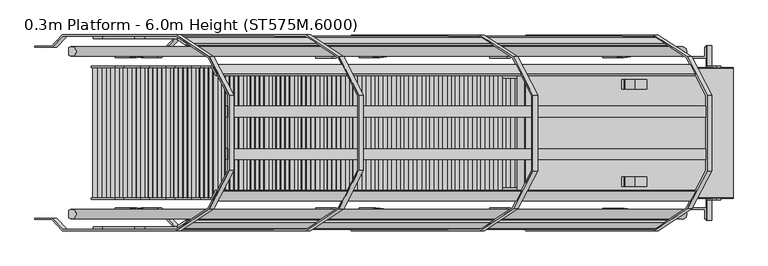
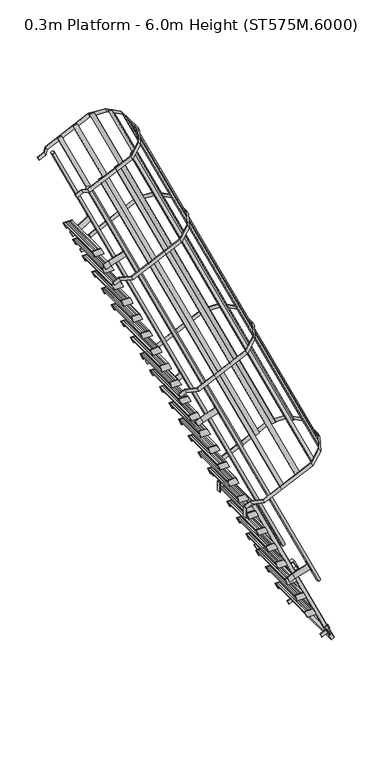
"""IFC4 building model written with IfcOpenShell, lengths in millimetres: proxy geometry, 0.3m Platform - 6.0m Height (ST575M.6000)."""

from ifc_helpers import new_model, si_unit, point, frame, frame_2d, origin, place, context, project, spatial, polyline, circle_curve, trimmed, segment, composite_curve, outline, extrude, source, transform, mapped, element, save


def proxy_0_3m_platform_6_0m_height_st575m_6000_97c4787c(model_context):
    return source(origin(), model_context, "Body", "SweptSolid", [
        extrude(outline(polyline([(5750.0, 12.5735181), (5670.0, 49.8781257), (5670.0, 160.2159228), (5750.0, 122.9113101), (5750.0, 12.5735181)])), frame((0.0, 298.5, 0.0), z_axis=(0.0, 1.0, 0.0), x_axis=(0.0, 0.0, 1.0)), (0.0, 0.0, 1.0), 6.0),
        extrude(outline(polyline([(5750.0, 12.5735181), (5670.0, 49.8781257), (5670.0, 160.2159228), (5750.0, 122.9113101), (5750.0, 12.5735181)])), frame((0.0, -304.5, 0.0), z_axis=(0.0, 1.0, 0.0), x_axis=(0.0, 0.0, 1.0)), (0.0, 0.0, 1.0), 6.0),
        extrude(outline(polyline([(5750.0, 19.7454744), (5712.0999991, 37.4185326), (5712.0999991, 39.6252884), (5747.0, 23.351153), (5747.0, 122.1034773), (5712.0999991, 138.3776149), (5712.0999991, 140.5843708), (5750.0, 122.9113101), (5750.0, 102.483569), (5749.2749538, 102.1454744), (5750.0, 101.8073798), (5750.0, 81.883569), (5749.2749538, 81.5454744), (5750.0, 81.2073798), (5750.0, 61.283569), (5749.2749538, 60.9454744), (5750.0, 60.6073798), (5750.0, 40.683569), (5749.2749538, 40.3454744), (5750.0, 40.0073798), (5750.0, 19.7454744)])), frame((0.0, -298.5, 0.0), z_axis=(0.0, 1.0, 0.0), x_axis=(0.0, 0.0, 1.0)), (0.0, 0.0, 1.0), 597.0),
        extrude(outline(polyline([(5500.0, 129.1518244), (5420.0, 166.456432), (5420.0, 276.7942291), (5500.0, 239.4896164), (5500.0, 129.1518244)])), frame((0.0, 298.5, 0.0), z_axis=(0.0, 1.0, 0.0), x_axis=(0.0, 0.0, 1.0)), (0.0, 0.0, 1.0), 6.0),
        extrude(outline(polyline([(5500.0, 129.1518244), (5420.0, 166.456432), (5420.0, 276.7942291), (5500.0, 239.4896164), (5500.0, 129.1518244)])), frame((0.0, -304.5, 0.0), z_axis=(0.0, 1.0, 0.0), x_axis=(0.0, 0.0, 1.0)), (0.0, 0.0, 1.0), 6.0),
        extrude(outline(polyline([(5500.0, 136.3237807), (5462.0999991, 153.9968389), (5462.0999991, 156.2035947), (5497.0, 139.9294593), (5497.0, 238.6817835), (5462.0999991, 254.9559212), (5462.0999991, 257.1626771), (5500.0, 239.4896164), (5500.0, 219.0618753), (5499.2749538, 218.7237807), (5500.0, 218.3856861), (5500.0, 198.4618753), (5499.2749538, 198.1237807), (5500.0, 197.7856861), (5500.0, 177.8618753), (5499.2749538, 177.5237807), (5500.0, 177.1856861), (5500.0, 157.2618753), (5499.2749538, 156.9237807), (5500.0, 156.5856861), (5500.0, 136.3237807)])), frame((0.0, -298.5, 0.0), z_axis=(0.0, 1.0, 0.0), x_axis=(0.0, 0.0, 1.0)), (0.0, 0.0, 1.0), 597.0),
        extrude(outline(polyline([(5250.0, 245.7301307), (5170.0, 283.0347383), (5170.0, 393.3725354), (5250.0, 356.0679227), (5250.0, 245.7301307)])), frame((0.0, 298.5, 0.0), z_axis=(0.0, 1.0, 0.0), x_axis=(0.0, 0.0, 1.0)), (0.0, 0.0, 1.0), 6.0),
        extrude(outline(polyline([(5250.0, 245.7301307), (5170.0, 283.0347383), (5170.0, 393.3725354), (5250.0, 356.0679227), (5250.0, 245.7301307)])), frame((0.0, -304.5, 0.0), z_axis=(0.0, 1.0, 0.0), x_axis=(0.0, 0.0, 1.0)), (0.0, 0.0, 1.0), 6.0),
        extrude(outline(polyline([(5250.0, 252.902087), (5212.0999991, 270.5751452), (5212.0999991, 272.781901), (5247.0, 256.5077655), (5247.0, 355.2600898), (5212.0999991, 371.5342275), (5212.0999991, 373.7409833), (5250.0, 356.0679227), (5250.0, 335.6401815), (5249.2749538, 335.302087), (5250.0, 334.9639924), (5250.0, 315.0401815), (5249.2749538, 314.702087), (5250.0, 314.3639924), (5250.0, 294.4401815), (5249.2749538, 294.102087), (5250.0, 293.7639924), (5250.0, 273.8401815), (5249.2749538, 273.502087), (5250.0, 273.1639924), (5250.0, 252.902087)])), frame((0.0, -298.5, 0.0), z_axis=(0.0, 1.0, 0.0), x_axis=(0.0, 0.0, 1.0)), (0.0, 0.0, 1.0), 597.0),
        extrude(outline(polyline([(5000.0, 362.308437), (4920.0, 399.6130446), (4920.0, 509.9508416), (5000.0, 472.646229), (5000.0, 362.308437)])), frame((0.0, 298.5, 0.0), z_axis=(0.0, 1.0, 0.0), x_axis=(0.0, 0.0, 1.0)), (0.0, 0.0, 1.0), 6.0),
        extrude(outline(polyline([(5000.0, 362.308437), (4920.0, 399.6130446), (4920.0, 509.9508416), (5000.0, 472.646229), (5000.0, 362.308437)])), frame((0.0, -304.5, 0.0), z_axis=(0.0, 1.0, 0.0), x_axis=(0.0, 0.0, 1.0)), (0.0, 0.0, 1.0), 6.0),
        extrude(outline(polyline([(5000.0, 369.4803933), (4962.0999991, 387.1534515), (4962.0999991, 389.3602073), (4997.0, 373.0860718), (4997.0, 471.8383961), (4962.0999991, 488.1125338), (4962.0999991, 490.3192896), (5000.0, 472.646229), (5000.0, 452.2184878), (4999.2749538, 451.8803933), (5000.0, 451.5422987), (5000.0, 431.6184878), (4999.2749538, 431.2803933), (5000.0, 430.9422987), (5000.0, 411.0184878), (4999.2749538, 410.6803933), (5000.0, 410.3422987), (5000.0, 390.4184878), (4999.2749538, 390.0803933), (5000.0, 389.7422987), (5000.0, 369.4803933)])), frame((0.0, -298.5, 0.0), z_axis=(0.0, 1.0, 0.0), x_axis=(0.0, 0.0, 1.0)), (0.0, 0.0, 1.0), 597.0),
        extrude(outline(polyline([(4750.0, 478.8867433), (4670.0, 516.1913509), (4670.0, 626.5291479), (4750.0, 589.2245353), (4750.0, 478.8867433)])), frame((0.0, 298.5, 0.0), z_axis=(0.0, 1.0, 0.0), x_axis=(0.0, 0.0, 1.0)), (0.0, 0.0, 1.0), 6.0),
        extrude(outline(polyline([(4750.0, 478.8867433), (4670.0, 516.1913509), (4670.0, 626.5291479), (4750.0, 589.2245353), (4750.0, 478.8867433)])), frame((0.0, -304.5, 0.0), z_axis=(0.0, 1.0, 0.0), x_axis=(0.0, 0.0, 1.0)), (0.0, 0.0, 1.0), 6.0),
        extrude(outline(polyline([(4750.0, 486.0586996), (4712.0999991, 503.7317578), (4712.0999991, 505.9385136), (4747.0, 489.6643781), (4747.0, 588.4167024), (4712.0999991, 604.6908401), (4712.0999991, 606.8975959), (4750.0, 589.2245353), (4750.0, 568.7967941), (4749.2749538, 568.4586996), (4750.0, 568.120605), (4750.0, 548.1967941), (4749.2749538, 547.8586996), (4750.0, 547.520605), (4750.0, 527.5967941), (4749.2749538, 527.2586996), (4750.0, 526.920605), (4750.0, 506.9967941), (4749.2749538, 506.6586996), (4750.0, 506.320605), (4750.0, 486.0586996)])), frame((0.0, -298.5, 0.0), z_axis=(0.0, 1.0, 0.0), x_axis=(0.0, 0.0, 1.0)), (0.0, 0.0, 1.0), 597.0),
        extrude(outline(polyline([(4500.0, 595.4650495), (4420.0, 632.7696571), (4420.0, 743.1074542), (4500.0, 705.8028416), (4500.0, 595.4650495)])), frame((0.0, 298.5, 0.0), z_axis=(0.0, 1.0, 0.0), x_axis=(0.0, 0.0, 1.0)), (0.0, 0.0, 1.0), 6.0),
        extrude(outline(polyline([(4500.0, 595.4650495), (4420.0, 632.7696571), (4420.0, 743.1074542), (4500.0, 705.8028416), (4500.0, 595.4650495)])), frame((0.0, -304.5, 0.0), z_axis=(0.0, 1.0, 0.0), x_axis=(0.0, 0.0, 1.0)), (0.0, 0.0, 1.0), 6.0),
        extrude(outline(polyline([(4500.0, 602.6370058), (4462.0999991, 620.3100641), (4462.0999991, 622.5168199), (4497.0, 606.2426844), (4497.0, 704.9950087), (4462.0999991, 721.2691464), (4462.0999991, 723.4759022), (4500.0, 705.8028416), (4500.0, 685.3751004), (4499.2749538, 685.0370058), (4500.0, 684.6989113), (4500.0, 664.7751004), (4499.2749538, 664.4370058), (4500.0, 664.0989113), (4500.0, 644.1751004), (4499.2749538, 643.8370058), (4500.0, 643.4989113), (4500.0, 623.5751004), (4499.2749538, 623.2370058), (4500.0, 622.8989113), (4500.0, 602.6370058)])), frame((0.0, -298.5, 0.0), z_axis=(0.0, 1.0, 0.0), x_axis=(0.0, 0.0, 1.0)), (0.0, 0.0, 1.0), 597.0),
        extrude(outline(polyline([(4250.0, 712.0433558), (4170.0, 749.3479634), (4170.0, 859.6857605), (4250.0, 822.3811479), (4250.0, 712.0433558)])), frame((0.0, 298.5, 0.0), z_axis=(0.0, 1.0, 0.0), x_axis=(0.0, 0.0, 1.0)), (0.0, 0.0, 1.0), 6.0),
        extrude(outline(polyline([(4250.0, 712.0433558), (4170.0, 749.3479634), (4170.0, 859.6857605), (4250.0, 822.3811479), (4250.0, 712.0433558)])), frame((0.0, -304.5, 0.0), z_axis=(0.0, 1.0, 0.0), x_axis=(0.0, 0.0, 1.0)), (0.0, 0.0, 1.0), 6.0),
        extrude(outline(polyline([(4250.0, 719.2153121), (4212.0999991, 736.8883704), (4212.0999991, 739.0951262), (4247.0, 722.8209907), (4247.0, 821.573315), (4212.0999991, 837.8474527), (4212.0999991, 840.0542085), (4250.0, 822.3811479), (4250.0, 801.9534067), (4249.2749538, 801.6153121), (4250.0, 801.2772176), (4250.0, 781.3534067), (4249.2749538, 781.0153121), (4250.0, 780.6772176), (4250.0, 760.7534067), (4249.2749538, 760.4153121), (4250.0, 760.0772176), (4250.0, 740.1534067), (4249.2749538, 739.8153121), (4250.0, 739.4772176), (4250.0, 719.2153121)])), frame((0.0, -298.5, 0.0), z_axis=(0.0, 1.0, 0.0), x_axis=(0.0, 0.0, 1.0)), (0.0, 0.0, 1.0), 597.0),
        extrude(outline(polyline([(4000.0, 828.6216621), (3920.0, 865.9262697), (3920.0, 976.2640668), (4000.0, 938.9594541), (4000.0, 828.6216621)])), frame((0.0, 298.5, 0.0), z_axis=(0.0, 1.0, 0.0), x_axis=(0.0, 0.0, 1.0)), (0.0, 0.0, 1.0), 6.0),
        extrude(outline(polyline([(4000.0, 828.6216621), (3920.0, 865.9262697), (3920.0, 976.2640668), (4000.0, 938.9594541), (4000.0, 828.6216621)])), frame((0.0, -304.5, 0.0), z_axis=(0.0, 1.0, 0.0), x_axis=(0.0, 0.0, 1.0)), (0.0, 0.0, 1.0), 6.0),
        extrude(outline(polyline([(4000.0, 835.7936184), (3962.0999991, 853.4666767), (3962.0999991, 855.6734324), (3997.0, 839.399297), (3997.0, 938.1516213), (3962.0999991, 954.4257589), (3962.0999991, 956.6325148), (4000.0, 938.9594541), (4000.0, 918.531713), (3999.2749538, 918.1936184), (4000.0, 917.8555238), (4000.0, 897.931713), (3999.2749538, 897.5936184), (4000.0, 897.2555238), (4000.0, 877.331713), (3999.2749538, 876.9936184), (4000.0, 876.6555238), (4000.0, 856.731713), (3999.2749538, 856.3936184), (4000.0, 856.0555238), (4000.0, 835.7936184)])), frame((0.0, -298.5, 0.0), z_axis=(0.0, 1.0, 0.0), x_axis=(0.0, 0.0, 1.0)), (0.0, 0.0, 1.0), 597.0),
        extrude(outline(polyline([(3750.0, 945.1999684), (3670.0, 982.504576), (3670.0, 1092.8423731), (3750.0, 1055.5377604), (3750.0, 945.1999684)])), frame((0.0, 298.5, 0.0), z_axis=(0.0, 1.0, 0.0), x_axis=(0.0, 0.0, 1.0)), (0.0, 0.0, 1.0), 6.0),
        extrude(outline(polyline([(3750.0, 945.1999684), (3670.0, 982.504576), (3670.0, 1092.8423731), (3750.0, 1055.5377604), (3750.0, 945.1999684)])), frame((0.0, -304.5, 0.0), z_axis=(0.0, 1.0, 0.0), x_axis=(0.0, 0.0, 1.0)), (0.0, 0.0, 1.0), 6.0),
        extrude(outline(polyline([(3750.0, 952.3719247), (3712.0999991, 970.044983), (3712.0999991, 972.2517387), (3747.0, 955.9776033), (3747.0, 1054.7299276), (3712.0999991, 1071.0040652), (3712.0999991, 1073.2108211), (3750.0, 1055.5377604), (3750.0, 1035.1100193), (3749.2749538, 1034.7719247), (3750.0, 1034.4338301), (3750.0, 1014.5100193), (3749.2749538, 1014.1719247), (3750.0, 1013.8338301), (3750.0, 993.9100193), (3749.2749538, 993.5719247), (3750.0, 993.2338301), (3750.0, 973.3100193), (3749.2749538, 972.9719247), (3750.0, 972.6338301), (3750.0, 952.3719247)])), frame((0.0, -298.5, 0.0), z_axis=(0.0, 1.0, 0.0), x_axis=(0.0, 0.0, 1.0)), (0.0, 0.0, 1.0), 597.0),
        extrude(outline(polyline([(3500.0, 1061.7782747), (3420.0, 1099.0828823), (3420.0, 1209.4206794), (3500.0, 1172.1160667), (3500.0, 1061.7782747)])), frame((0.0, 298.5, 0.0), z_axis=(0.0, 1.0, 0.0), x_axis=(0.0, 0.0, 1.0)), (0.0, 0.0, 1.0), 6.0),
        extrude(outline(polyline([(3500.0, 1061.7782747), (3420.0, 1099.0828823), (3420.0, 1209.4206794), (3500.0, 1172.1160667), (3500.0, 1061.7782747)])), frame((0.0, -304.5, 0.0), z_axis=(0.0, 1.0, 0.0), x_axis=(0.0, 0.0, 1.0)), (0.0, 0.0, 1.0), 6.0),
        extrude(outline(polyline([(3500.0, 1068.950231), (3462.0999991, 1086.6232892), (3462.0999991, 1088.830045), (3497.0, 1072.5559096), (3497.0, 1171.3082339), (3462.0999991, 1187.5823715), (3462.0999991, 1189.7891274), (3500.0, 1172.1160667), (3500.0, 1151.6883256), (3499.2749538, 1151.350231), (3500.0, 1151.0121364), (3500.0, 1131.0883256), (3499.2749538, 1130.750231), (3500.0, 1130.4121364), (3500.0, 1110.4883256), (3499.2749538, 1110.150231), (3500.0, 1109.8121364), (3500.0, 1089.8883256), (3499.2749538, 1089.550231), (3500.0, 1089.2121364), (3500.0, 1068.950231)])), frame((0.0, -298.5, 0.0), z_axis=(0.0, 1.0, 0.0), x_axis=(0.0, 0.0, 1.0)), (0.0, 0.0, 1.0), 597.0),
        extrude(outline(polyline([(3250.0, 1178.356581), (3170.0, 1215.6611886), (3170.0, 1325.9989857), (3250.0, 1288.694373), (3250.0, 1178.356581)])), frame((0.0, 298.5, 0.0), z_axis=(0.0, 1.0, 0.0), x_axis=(0.0, 0.0, 1.0)), (0.0, 0.0, 1.0), 6.0),
        extrude(outline(polyline([(3250.0, 1178.356581), (3170.0, 1215.6611886), (3170.0, 1325.9989857), (3250.0, 1288.694373), (3250.0, 1178.356581)])), frame((0.0, -304.5, 0.0), z_axis=(0.0, 1.0, 0.0), x_axis=(0.0, 0.0, 1.0)), (0.0, 0.0, 1.0), 6.0),
        extrude(outline(polyline([(3250.0, 1185.5285373), (3212.0999991, 1203.2015955), (3212.0999991, 1205.4083513), (3247.0, 1189.1342158), (3247.0, 1287.8865401), (3212.0999991, 1304.1606778), (3212.0999991, 1306.3674336), (3250.0, 1288.694373), (3250.0, 1268.2666319), (3249.2749538, 1267.9285373), (3250.0, 1267.5904427), (3250.0, 1247.6666319), (3249.2749538, 1247.3285373), (3250.0, 1246.9904427), (3250.0, 1227.0666319), (3249.2749538, 1226.7285373), (3250.0, 1226.3904427), (3250.0, 1206.4666319), (3249.2749538, 1206.1285373), (3250.0, 1205.7904427), (3250.0, 1185.5285373)])), frame((0.0, -298.5, 0.0), z_axis=(0.0, 1.0, 0.0), x_axis=(0.0, 0.0, 1.0)), (0.0, 0.0, 1.0), 597.0),
        extrude(outline(polyline([(3000.0, 1294.9348873), (2920.0, 1332.2394949), (2920.0, 1442.5772919), (3000.0, 1405.2726793), (3000.0, 1294.9348873)])), frame((0.0, 298.5, 0.0), z_axis=(0.0, 1.0, 0.0), x_axis=(0.0, 0.0, 1.0)), (0.0, 0.0, 1.0), 6.0),
        extrude(outline(polyline([(3000.0, 1294.9348873), (2920.0, 1332.2394949), (2920.0, 1442.5772919), (3000.0, 1405.2726793), (3000.0, 1294.9348873)])), frame((0.0, -304.5, 0.0), z_axis=(0.0, 1.0, 0.0), x_axis=(0.0, 0.0, 1.0)), (0.0, 0.0, 1.0), 6.0),
        extrude(outline(polyline([(3000.0, 1302.1068436), (2962.0999991, 1319.7799018), (2962.0999991, 1321.9866576), (2997.0, 1305.7125221), (2997.0, 1404.4648464), (2962.0999991, 1420.7389841), (2962.0999991, 1422.9457399), (3000.0, 1405.2726793), (3000.0, 1384.8449381), (2999.2749538, 1384.5068436), (3000.0, 1384.168749), (3000.0, 1364.2449381), (2999.2749538, 1363.9068436), (3000.0, 1363.568749), (3000.0, 1343.6449381), (2999.2749538, 1343.3068436), (3000.0, 1342.968749), (3000.0, 1323.0449381), (2999.2749538, 1322.7068436), (3000.0, 1322.368749), (3000.0, 1302.1068436)])), frame((0.0, -298.5, 0.0), z_axis=(0.0, 1.0, 0.0), x_axis=(0.0, 0.0, 1.0)), (0.0, 0.0, 1.0), 597.0),
        extrude(outline(polyline([(2750.0, 1411.5131936), (2670.0, 1448.8178012), (2670.0, 1559.1555982), (2750.0, 1521.8509856), (2750.0, 1411.5131936)])), frame((0.0, 298.5, 0.0), z_axis=(0.0, 1.0, 0.0), x_axis=(0.0, 0.0, 1.0)), (0.0, 0.0, 1.0), 6.0),
        extrude(outline(polyline([(2750.0, 1411.5131936), (2670.0, 1448.8178012), (2670.0, 1559.1555982), (2750.0, 1521.8509856), (2750.0, 1411.5131936)])), frame((0.0, -304.5, 0.0), z_axis=(0.0, 1.0, 0.0), x_axis=(0.0, 0.0, 1.0)), (0.0, 0.0, 1.0), 6.0),
        extrude(outline(polyline([(2750.0, 1418.6851499), (2712.0999991, 1436.3582081), (2712.0999991, 1438.5649639), (2747.0, 1422.2908284), (2747.0, 1521.0431527), (2712.0999991, 1537.3172904), (2712.0999991, 1539.5240462), (2750.0, 1521.8509856), (2750.0, 1501.4232444), (2749.2749538, 1501.0851499), (2750.0, 1500.7470553), (2750.0, 1480.8232444), (2749.2749538, 1480.4851499), (2750.0, 1480.1470553), (2750.0, 1460.2232444), (2749.2749538, 1459.8851499), (2750.0, 1459.5470553), (2750.0, 1439.6232444), (2749.2749538, 1439.2851499), (2750.0, 1438.9470553), (2750.0, 1418.6851499)])), frame((0.0, -298.5, 0.0), z_axis=(0.0, 1.0, 0.0), x_axis=(0.0, 0.0, 1.0)), (0.0, 0.0, 1.0), 597.0),
        extrude(outline(polyline([(2500.0, 1528.0914998), (2420.0, 1565.3961074), (2420.0, 1675.7339045), (2500.0, 1638.4292919), (2500.0, 1528.0914998)])), frame((0.0, 298.5, 0.0), z_axis=(0.0, 1.0, 0.0), x_axis=(0.0, 0.0, 1.0)), (0.0, 0.0, 1.0), 6.0),
        extrude(outline(polyline([(2500.0, 1528.0914998), (2420.0, 1565.3961074), (2420.0, 1675.7339045), (2500.0, 1638.4292919), (2500.0, 1528.0914998)])), frame((0.0, -304.5, 0.0), z_axis=(0.0, 1.0, 0.0), x_axis=(0.0, 0.0, 1.0)), (0.0, 0.0, 1.0), 6.0),
        extrude(outline(polyline([(2500.0, 1535.2634561), (2462.0999991, 1552.9365144), (2462.0999991, 1555.1432702), (2497.0, 1538.8691347), (2497.0, 1637.621459), (2462.0999991, 1653.8955967), (2462.0999991, 1656.1023525), (2500.0, 1638.4292919), (2500.0, 1618.0015507), (2499.2749538, 1617.6634561), (2500.0, 1617.3253616), (2500.0, 1597.4015507), (2499.2749538, 1597.0634561), (2500.0, 1596.7253616), (2500.0, 1576.8015507), (2499.2749538, 1576.4634561), (2500.0, 1576.1253616), (2500.0, 1556.2015507), (2499.2749538, 1555.8634561), (2500.0, 1555.5253616), (2500.0, 1535.2634561)])), frame((0.0, -298.5, 0.0), z_axis=(0.0, 1.0, 0.0), x_axis=(0.0, 0.0, 1.0)), (0.0, 0.0, 1.0), 597.0),
        extrude(outline(polyline([(2250.0, 1644.6698061), (2170.0, 1681.9744137), (2170.0, 1792.3122108), (2250.0, 1755.0075982), (2250.0, 1644.6698061)])), frame((0.0, 298.5, 0.0), z_axis=(0.0, 1.0, 0.0), x_axis=(0.0, 0.0, 1.0)), (0.0, 0.0, 1.0), 6.0),
        extrude(outline(polyline([(2250.0, 1644.6698061), (2170.0, 1681.9744137), (2170.0, 1792.3122108), (2250.0, 1755.0075982), (2250.0, 1644.6698061)])), frame((0.0, -304.5, 0.0), z_axis=(0.0, 1.0, 0.0), x_axis=(0.0, 0.0, 1.0)), (0.0, 0.0, 1.0), 6.0),
        extrude(outline(polyline([(2250.0, 1651.8417624), (2212.0999991, 1669.5148207), (2212.0999991, 1671.7215765), (2247.0, 1655.447441), (2247.0, 1754.1997653), (2212.0999991, 1770.473903), (2212.0999991, 1772.6806588), (2250.0, 1755.0075982), (2250.0, 1734.579857), (2249.2749538, 1734.2417624), (2250.0, 1733.9036679), (2250.0, 1713.979857), (2249.2749538, 1713.6417624), (2250.0, 1713.3036679), (2250.0, 1693.379857), (2249.2749538, 1693.0417624), (2250.0, 1692.7036679), (2250.0, 1672.779857), (2249.2749538, 1672.4417624), (2250.0, 1672.1036679), (2250.0, 1651.8417624)])), frame((0.0, -298.5, 0.0), z_axis=(0.0, 1.0, 0.0), x_axis=(0.0, 0.0, 1.0)), (0.0, 0.0, 1.0), 597.0),
        extrude(outline(polyline([(2000.0, 1761.2481124), (1920.0, 1798.55272), (1920.0, 1908.8905171), (2000.0, 1871.5859044), (2000.0, 1761.2481124)])), frame((0.0, 298.5, 0.0), z_axis=(0.0, 1.0, 0.0), x_axis=(0.0, 0.0, 1.0)), (0.0, 0.0, 1.0), 6.0),
        extrude(outline(polyline([(2000.0, 1761.2481124), (1920.0, 1798.55272), (1920.0, 1908.8905171), (2000.0, 1871.5859044), (2000.0, 1761.2481124)])), frame((0.0, -304.5, 0.0), z_axis=(0.0, 1.0, 0.0), x_axis=(0.0, 0.0, 1.0)), (0.0, 0.0, 1.0), 6.0),
        extrude(outline(polyline([(2000.0, 1768.4200687), (1962.0999991, 1786.093127), (1962.0999991, 1788.2998828), (1997.0, 1772.0257473), (1997.0, 1870.7780716), (1962.0999991, 1887.0522092), (1962.0999991, 1889.2589651), (2000.0, 1871.5859044), (2000.0, 1851.1581633), (1999.2749538, 1850.8200687), (2000.0, 1850.4819741), (2000.0, 1830.5581633), (1999.2749538, 1830.2200687), (2000.0, 1829.8819741), (2000.0, 1809.9581633), (1999.2749538, 1809.6200687), (2000.0, 1809.2819741), (2000.0, 1789.3581633), (1999.2749538, 1789.0200687), (2000.0, 1788.6819741), (2000.0, 1768.4200687)])), frame((0.0, -298.5, 0.0), z_axis=(0.0, 1.0, 0.0), x_axis=(0.0, 0.0, 1.0)), (0.0, 0.0, 1.0), 597.0),
        extrude(outline(polyline([(1750.0, 1877.8264187), (1670.0, 1915.1310263), (1670.0, 2025.4688234), (1750.0, 1988.1642107), (1750.0, 1877.8264187)])), frame((0.0, 298.5, 0.0), z_axis=(0.0, 1.0, 0.0), x_axis=(0.0, 0.0, 1.0)), (0.0, 0.0, 1.0), 6.0),
        extrude(outline(polyline([(1750.0, 1877.8264187), (1670.0, 1915.1310263), (1670.0, 2025.4688234), (1750.0, 1988.1642107), (1750.0, 1877.8264187)])), frame((0.0, -304.5, 0.0), z_axis=(0.0, 1.0, 0.0), x_axis=(0.0, 0.0, 1.0)), (0.0, 0.0, 1.0), 6.0),
        extrude(outline(polyline([(1750.0, 1884.998375), (1712.0999991, 1902.6714333), (1712.0999991, 1904.878189), (1747.0, 1888.6040536), (1747.0, 1987.3563779), (1712.0999991, 2003.6305155), (1712.0999991, 2005.8372714), (1750.0, 1988.1642107), (1750.0, 1967.7364696), (1749.2749538, 1967.398375), (1750.0, 1967.0602804), (1750.0, 1947.1364696), (1749.2749538, 1946.798375), (1750.0, 1946.4602804), (1750.0, 1926.5364696), (1749.2749538, 1926.198375), (1750.0, 1925.8602804), (1750.0, 1905.9364696), (1749.2749538, 1905.598375), (1750.0, 1905.2602804), (1750.0, 1884.998375)])), frame((0.0, -298.5, 0.0), z_axis=(0.0, 1.0, 0.0), x_axis=(0.0, 0.0, 1.0)), (0.0, 0.0, 1.0), 597.0),
        extrude(outline(polyline([(1500.0, 1994.404725), (1420.0, 2031.7093326), (1420.0, 2142.0471297), (1500.0, 2104.742517), (1500.0, 1994.404725)])), frame((0.0, 298.5, 0.0), z_axis=(0.0, 1.0, 0.0), x_axis=(0.0, 0.0, 1.0)), (0.0, 0.0, 1.0), 6.0),
        extrude(outline(polyline([(1500.0, 1994.404725), (1420.0, 2031.7093326), (1420.0, 2142.0471297), (1500.0, 2104.742517), (1500.0, 1994.404725)])), frame((0.0, -304.5, 0.0), z_axis=(0.0, 1.0, 0.0), x_axis=(0.0, 0.0, 1.0)), (0.0, 0.0, 1.0), 6.0),
        extrude(outline(polyline([(1500.0, 2001.5766813), (1462.0999991, 2019.2497395), (1462.0999991, 2021.4564953), (1497.0, 2005.1823599), (1497.0, 2103.9346842), (1462.0999991, 2120.2088218), (1462.0999991, 2122.4155777), (1500.0, 2104.742517), (1500.0, 2084.3147759), (1499.2749538, 2083.9766813), (1500.0, 2083.6385867), (1500.0, 2063.7147759), (1499.2749538, 2063.3766813), (1500.0, 2063.0385867), (1500.0, 2043.1147759), (1499.2749538, 2042.7766813), (1500.0, 2042.4385867), (1500.0, 2022.5147759), (1499.2749538, 2022.1766813), (1500.0, 2021.8385867), (1500.0, 2001.5766813)])), frame((0.0, -298.5, 0.0), z_axis=(0.0, 1.0, 0.0), x_axis=(0.0, 0.0, 1.0)), (0.0, 0.0, 1.0), 597.0),
        extrude(outline(polyline([(1250.0, 2110.9830313), (1170.0, 2148.2876389), (1170.0, 2258.625436), (1250.0, 2221.3208233), (1250.0, 2110.9830313)])), frame((0.0, 298.5, 0.0), z_axis=(0.0, 1.0, 0.0), x_axis=(0.0, 0.0, 1.0)), (0.0, 0.0, 1.0), 6.0),
        extrude(outline(polyline([(1250.0, 2110.9830313), (1170.0, 2148.2876389), (1170.0, 2258.625436), (1250.0, 2221.3208233), (1250.0, 2110.9830313)])), frame((0.0, -304.5, 0.0), z_axis=(0.0, 1.0, 0.0), x_axis=(0.0, 0.0, 1.0)), (0.0, 0.0, 1.0), 6.0),
        extrude(outline(polyline([(1250.0, 2118.1549876), (1212.0999991, 2135.8280458), (1212.0999991, 2138.0348016), (1247.0, 2121.7606662), (1247.0, 2220.5129904), (1212.0999991, 2236.7871281), (1212.0999991, 2238.9938839), (1250.0, 2221.3208233), (1250.0, 2200.8930822), (1249.2749538, 2200.5549876), (1250.0, 2200.216893), (1250.0, 2180.2930822), (1249.2749538, 2179.9549876), (1250.0, 2179.616893), (1250.0, 2159.6930822), (1249.2749538, 2159.3549876), (1250.0, 2159.016893), (1250.0, 2139.0930822), (1249.2749538, 2138.7549876), (1250.0, 2138.416893), (1250.0, 2118.1549876)])), frame((0.0, -298.5, 0.0), z_axis=(0.0, 1.0, 0.0), x_axis=(0.0, 0.0, 1.0)), (0.0, 0.0, 1.0), 597.0),
        extrude(outline(polyline([(1000.0, 2227.5613376), (920.0, 2264.8659452), (920.0, 2375.2037422), (1000.0, 2337.8991296), (1000.0, 2227.5613376)])), frame((0.0, 298.5, 0.0), z_axis=(0.0, 1.0, 0.0), x_axis=(0.0, 0.0, 1.0)), (0.0, 0.0, 1.0), 6.0),
        extrude(outline(polyline([(1000.0, 2227.5613376), (920.0, 2264.8659452), (920.0, 2375.2037422), (1000.0, 2337.8991296), (1000.0, 2227.5613376)])), frame((0.0, -304.5, 0.0), z_axis=(0.0, 1.0, 0.0), x_axis=(0.0, 0.0, 1.0)), (0.0, 0.0, 1.0), 6.0),
        extrude(outline(polyline([(1000.0, 2234.7332939), (962.0999991, 2252.4063521), (962.0999991, 2254.6131079), (997.0, 2238.3389724), (997.0, 2337.0912967), (962.0999991, 2353.3654344), (962.0999991, 2355.5721902), (1000.0, 2337.8991296), (1000.0, 2317.4713884), (999.2749538, 2317.1332939), (1000.0, 2316.7951993), (1000.0, 2296.8713884), (999.2749538, 2296.5332939), (1000.0, 2296.1951993), (1000.0, 2276.2713884), (999.2749538, 2275.9332939), (1000.0, 2275.5951993), (1000.0, 2255.6713884), (999.2749538, 2255.3332939), (1000.0, 2254.9951993), (1000.0, 2234.7332939)])), frame((0.0, -298.5, 0.0), z_axis=(0.0, 1.0, 0.0), x_axis=(0.0, 0.0, 1.0)), (0.0, 0.0, 1.0), 597.0),
        extrude(outline(polyline([(750.0, 2344.1396439), (670.0, 2381.4442515), (670.0, 2491.7820485), (750.0, 2454.4774359), (750.0, 2344.1396439)])), frame((0.0, 298.5, 0.0), z_axis=(0.0, 1.0, 0.0), x_axis=(0.0, 0.0, 1.0)), (0.0, 0.0, 1.0), 6.0),
        extrude(outline(polyline([(750.0, 2344.1396439), (670.0, 2381.4442515), (670.0, 2491.7820485), (750.0, 2454.4774359), (750.0, 2344.1396439)])), frame((0.0, -304.5, 0.0), z_axis=(0.0, 1.0, 0.0), x_axis=(0.0, 0.0, 1.0)), (0.0, 0.0, 1.0), 6.0),
        extrude(outline(polyline([(750.0, 2351.3116002), (712.0999991, 2368.9846584), (712.0999991, 2371.1914142), (747.0, 2354.9172787), (747.0, 2453.669603), (712.0999991, 2469.9437407), (712.0999991, 2472.1504965), (750.0, 2454.4774359), (750.0, 2434.0496947), (749.2749538, 2433.7116002), (750.0, 2433.3735056), (750.0, 2413.4496947), (749.2749538, 2413.1116002), (750.0, 2412.7735056), (750.0, 2392.8496947), (749.2749538, 2392.5116002), (750.0, 2392.1735056), (750.0, 2372.2496947), (749.2749538, 2371.9116002), (750.0, 2371.5735056), (750.0, 2351.3116002)])), frame((0.0, -298.5, 0.0), z_axis=(0.0, 1.0, 0.0), x_axis=(0.0, 0.0, 1.0)), (0.0, 0.0, 1.0), 597.0),
        extrude(outline(polyline([(500.0, 2460.7179501), (420.0, 2498.0225577), (420.0, 2608.3603548), (500.0, 2571.0557422), (500.0, 2460.7179501)])), frame((0.0, 298.5, 0.0), z_axis=(0.0, 1.0, 0.0), x_axis=(0.0, 0.0, 1.0)), (0.0, 0.0, 1.0), 6.0),
        extrude(outline(polyline([(500.0, 2460.7179501), (420.0, 2498.0225577), (420.0, 2608.3603548), (500.0, 2571.0557422), (500.0, 2460.7179501)])), frame((0.0, -304.5, 0.0), z_axis=(0.0, 1.0, 0.0), x_axis=(0.0, 0.0, 1.0)), (0.0, 0.0, 1.0), 6.0),
        extrude(outline(polyline([(500.0, 2467.8899064), (462.0999991, 2485.5629647), (462.0999991, 2487.7697205), (497.0, 2471.495585), (497.0, 2570.2479093), (462.0999991, 2586.522047), (462.0999991, 2588.7288028), (500.0, 2571.0557422), (500.0, 2550.628001), (499.2749538, 2550.2899064), (500.0, 2549.9518119), (500.0, 2530.028001), (499.2749538, 2529.6899064), (500.0, 2529.3518119), (500.0, 2509.428001), (499.2749538, 2509.0899064), (500.0, 2508.7518119), (500.0, 2488.828001), (499.2749538, 2488.4899064), (500.0, 2488.1518119), (500.0, 2467.8899064)])), frame((0.0, -298.5, 0.0), z_axis=(0.0, 1.0, 0.0), x_axis=(0.0, 0.0, 1.0)), (0.0, 0.0, 1.0), 597.0),
        extrude(outline(polyline([(0.0, -6.0), (0.0, 0.0), (50.0, 0.0), (50.0, -6.0), (0.0, -6.0)])), frame((1767.8171583, 296.0, 1938.5825253), z_axis=(-4.386544572132499e-06, 0.0, 0.9999999999903791), x_axis=(0.0, -1.0, 0.0)), (0.0, 0.0, 1.0), 120.0),
        extrude(outline(polyline([(2000.5829861, 1872.8627305), (2058.5828675, 1845.8166319), (2058.5825253, 1767.8166319), (2000.5825253, 1767.8168863), (2000.5829861, 1872.8627305)])), frame((0.0, 252.0, 0.0), z_axis=(0.0, 1.0, 0.0), x_axis=(0.0, 0.0, 1.0)), (0.0, 0.0, 1.0), 38.0),
        extrude(outline(polyline([(0.0, -6.0), (0.0, 0.0), (50.0, 0.0), (50.0, -6.0), (0.0, -6.0)])), frame((1761.8171583, -296.0, 1938.582499), z_axis=(-4.386544569745521e-06, 0.0, 0.9999999999903793), x_axis=(0.0, 1.0, 0.0)), (0.0, 0.0, 1.0), 120.0),
        extrude(outline(polyline([(2000.5829861, 1872.8627305), (2058.5828675, 1845.8166319), (2058.5825253, 1767.8166319), (2000.5825253, 1767.8168863), (2000.5829861, 1872.8627305)])), frame((0.0, -290.0, 0.0), z_axis=(0.0, 1.0, 0.0), x_axis=(0.0, 0.0, 1.0)), (0.0, 0.0, 1.0), 38.0),
        extrude(outline(polyline([(0.0, -590.0), (0.0, 0.0), (2.0, 0.0), (2.0, -590.0), (0.0, -590.0)])), frame((2826.6295696, -295.0, 49.8939963), z_axis=(-0.4226222372961302, 0.0, 0.9063059331940918), x_axis=(-0.9063059331940918, 0.0, -0.4226222372961302)), (0.0, 0.0, 1.0), 2240.0),
        extrude(outline(polyline([(2250.0, 0.0), (2250.0, -600.0), (0.0, -600.0), (0.0, 0.0), (2250.0, 0.0)]), holes=[polyline([(1096.0, -58.0), (58.0, -58.0), (58.0, -542.0), (1096.0, -542.0), (1096.0, -58.0)]), polyline([(1154.0, -542.0), (2192.0000001, -542.0), (2192.0000001, -58.0), (1154.0, -58.0), (1154.0, -542.0)])]), frame((1841.5904095, 300.0, 2067.6459268), z_axis=(0.9063059331940918, 0.0, 0.4226222372961302), x_axis=(0.4226222372961302, 0.0, -0.9063059331940918)), (0.0, 0.0, 1.0), 38.0),
        extrude(outline(polyline([(0.0, 0.0), (80.0, 0.0), (80.0, -6.0), (6.0, -6.0), (6.0, -50.0), (0.0, -50.0), (0.0, 0.0)])), frame((2724.8708855, 343.0, 173.4665264), z_axis=(-0.4226222372961302, 0.0, 0.9063059331940918), x_axis=(-0.9063059331940918, 0.0, -0.4226222372961302)), (0.0, 0.0, 1.0), 50.0),
        extrude(outline(polyline([(0.0, 686.0), (0.0, 736.0), (6.0, 736.0), (6.0, 692.0), (80.0, 692.0), (80.0, 686.0), (0.0, 686.0)])), frame((2724.8708855, 343.0, 173.4665264), z_axis=(-0.4226222372961302, 0.0, 0.9063059331940918), x_axis=(-0.9063059331940918, 0.0, -0.4226222372961302)), (0.0, 0.0, 1.0), 50.0),
        extrude(outline(polyline([(-100.0, 0.0), (0.0, 0.0), (0.0, -50.0), (-6.0, -50.0), (-6.0, -6.0), (-100.0, -6.0), (-100.0, 0.0)])), frame((2724.8708855, -300.0, 173.4665264), z_axis=(-0.4226222372961302, 0.0, 0.9063059331940918), x_axis=(0.0, 1.0, 0.0)), (0.0, 0.0, 1.0), 50.0),
        extrude(outline(polyline([(700.0, 0.0), (700.0, -6.0), (606.0, -6.0), (606.0, -50.0), (600.0, -50.0), (600.0, 0.0), (700.0, 0.0)])), frame((2724.8708855, -300.0, 173.4665264), z_axis=(-0.4226222372961302, 0.0, 0.9063059331940918), x_axis=(0.0, 1.0, 0.0)), (0.0, 0.0, 1.0), 50.0),
        extrude(outline(polyline([(1117.9755385, 2328.5692629), (1132.3704174, 2374.8189922), (1038.1146003, 2418.7717049), (1011.9377443, 2378.0160647), (989.280096, 2388.5816206), (993.5063184, 2397.6446799), (1008.0072133, 2390.8827241), (1034.1840693, 2431.6383644), (1144.7533931, 2380.0784514), (1130.3585143, 2333.8287221), (1144.8594092, 2327.0667663), (1140.6331869, 2318.003707), (1117.9755385, 2328.5692629)])), frame((0.0, 201.0, 0.0), z_axis=(0.0, 1.0, 0.0), x_axis=(0.0, 0.0, 1.0)), (0.0, 0.0, 1.0), 44.0),
        extrude(outline(polyline([(1117.9755385, 2328.5692629), (1132.3704174, 2374.8189922), (1038.1146003, 2418.7717049), (1011.9377443, 2378.0160647), (989.280096, 2388.5816206), (993.5063184, 2397.6446799), (1008.0072133, 2390.8827241), (1034.1840693, 2431.6383644), (1144.7533931, 2380.0784514), (1130.3585143, 2333.8287221), (1144.8594092, 2327.0667663), (1140.6331869, 2318.003707), (1117.9755385, 2328.5692629)])), frame((0.0, -245.0, 0.0), z_axis=(0.0, 1.0, 0.0), x_axis=(0.0, 0.0, 1.0)), (0.0, 0.0, 1.0), 44.0),
        extrude(outline(polyline([(-573.915974, 0.0), (0.0, 0.0), (168.0, -100.0), (268.0, -275.0), (268.0, -621.0), (168.0, -796.0), (0.0, -896.0), (-573.915974, -896.0), (-626.9765801, -845.0), (-710.8030303, -845.0), (-710.8030303, -839.0), (-624.560606, -839.0), (-571.5, -890.0), (-1.5933867, -890.0), (163.6024049, -791.6024049), (262.0, -619.4066134), (262.0, -276.5933866), (163.6024049, -104.3975951), (-1.5933867, -6.0), (-571.5, -6.0), (-624.560606, -57.0), (-710.8030303, -57.0), (-710.8030303, -51.0), (-626.9765801, -51.0), (-573.915974, 0.0)])), frame((304.1227418, 448.0, 7128.9315022), z_axis=(-0.4226222372961302, 0.0, 0.9063059331940918), x_axis=(0.9063059331940918, 0.0, 0.4226222372961302)), (0.0, 0.0, 1.0), 50.0),
        extrude(outline(polyline([(-6.0, 0.0), (0.0, 0.0), (0.0, -77.584026), (99.0, -180.584026), (99.0, -827.0), (-1.0, -995.0000001), (-176.0, -1095.0), (-522.0, -1095.0), (-697.0, -995.0000001), (-797.0, -827.0), (-797.0, -180.584026), (-698.0, -77.584026), (-698.0, 0.0), (-692.0, 0.0), (-692.0, -80.0), (-791.0, -183.0), (-791.0, -825.4066134), (-692.6024049, -990.6024049), (-520.4066134, -1089.0), (-177.5933866, -1089.0), (-5.3975951, -990.6024049), (93.0, -825.4066134), (93.0, -183.0), (-6.0, -80.0), (-6.0, 0.0)])), frame((941.4793503, 349.0, 3805.3011962), z_axis=(-0.4226222372961302, 0.0, 0.9063059331940918), x_axis=(0.0, 1.0, 0.0)), (0.0, 0.0, 1.0), 50.0),
        extrude(outline(polyline([(-6.0, 0.0), (0.0, 0.0), (0.0, -77.584026), (99.0, -180.584026), (99.0, -827.0000001), (-1.0, -995.0), (-176.0, -1095.0000001), (-522.0, -1095.0000001), (-697.0, -995.0), (-797.0, -827.0000001), (-797.0, -180.584026), (-698.0, -77.584026), (-698.0, 0.0), (-692.0, 0.0), (-692.0, -80.0), (-791.0, -183.0000001), (-791.0, -825.4066134), (-692.6024049, -990.6024049), (-520.4066134, -1089.0000001), (-177.5933866, -1089.0000001), (-5.3975951, -990.6024049), (93.0, -825.4066134), (93.0, -183.0000001), (-6.0, -80.0), (-6.0, 0.0)])), frame((1736.6798334, 349.0, 2100.0077868), z_axis=(-0.4226222372961302, 0.0, 0.9063059331940918), x_axis=(0.0, 1.0, 0.0)), (0.0, 0.0, 1.0), 50.0),
        extrude(outline(polyline([(0.0, 0.0), (50.0000001, 0.0), (50.0000001, -12.0), (0.0, -12.0), (0.0, 0.0)])), frame((2152.6742568, 430.0, 2293.9913938), z_axis=(-0.4226222372961302, 0.0, 0.9063059331940918), x_axis=(-0.9063059331940918, 0.0, -0.4226222372961302)), (0.0, 0.0, 1.0), 5213.173884),
        extrude(outline(polyline([(-209.9999999, 0.0), (-160.0, 0.0), (-160.0, -12.0), (-209.9999999, -12.0), (-209.9999999, 0.0)])), frame((2152.6742568, 430.0, 2293.9913938), z_axis=(-0.4226222372961302, 0.0, 0.9063059331940918), x_axis=(-0.9063059331940918, 0.0, -0.4226222372961302)), (0.0, 0.0, 1.0), 5213.173884),
        extrude(outline(polyline([(-630.0, 357.5), (-618.0, 357.5), (-618.0, 307.5), (-630.0, 307.5), (-630.0, 357.5)])), frame((2152.6742568, 430.0, 2293.9913938), z_axis=(-0.4226222372961302, 0.0, 0.9063059331940918), x_axis=(-0.9063059331940918, 0.0, -0.4226222372961302)), (0.0, 0.0, 1.0), 5213.173884),
        extrude(outline(polyline([(-630.0, 552.5), (-618.0, 552.5), (-618.0, 502.5), (-630.0, 502.5), (-630.0, 552.5)])), frame((2152.6742568, 430.0, 2293.9913938), z_axis=(-0.4226222372961302, 0.0, 0.9063059331940918), x_axis=(-0.9063059331940918, 0.0, -0.4226222372961302)), (0.0, 0.0, 1.0), 5213.173884),
        extrude(outline(polyline([(-209.9999999, 872.0), (-160.0, 872.0), (-160.0, 860.0), (-209.9999999, 860.0), (-209.9999999, 872.0)])), frame((2152.6742568, 430.0, 2293.9913938), z_axis=(-0.4226222372961302, 0.0, 0.9063059331940918), x_axis=(-0.9063059331940918, 0.0, -0.4226222372961302)), (0.0, 0.0, 1.0), 5213.173884),
        extrude(outline(polyline([(0.0, 872.0), (50.0000001, 872.0), (50.0000001, 860.0), (0.0, 860.0), (0.0, 872.0)])), frame((2152.6742568, 430.0, 2293.9913938), z_axis=(-0.4226222372961302, 0.0, 0.9063059331940918), x_axis=(-0.9063059331940918, 0.0, -0.4226222372961302)), (0.0, 0.0, 1.0), 5213.173884),
        extrude(outline(polyline([(-416.1782521, 29.5287957), (-373.2212406, 3.9417841), (-379.3621233, -6.3678986), (-422.3191348, 19.2191129), (-416.1782521, 29.5287957)])), frame((2152.6742568, 430.0, 2293.9913938), z_axis=(-0.4226222372961302, 0.0, 0.9063059331940918), x_axis=(-0.9063059331940918, 0.0, -0.4226222372961302)), (0.0, 0.0, 1.0), 5213.173884),
        extrude(outline(polyline([(-578.1954412, 161.8104088), (-567.7765235, 167.7640761), (-542.9695766, 124.351919), (-553.3884942, 118.3982517), (-578.1954412, 161.8104088)])), frame((2152.6742568, 430.0, 2293.9913938), z_axis=(-0.4226222372961302, 0.0, 0.9063059331940918), x_axis=(-0.9063059331940918, 0.0, -0.4226222372961302)), (0.0, 0.0, 1.0), 5213.173884),
        extrude(outline(polyline([(-416.1782521, 830.4712043), (-422.3191348, 840.7808871), (-379.3621233, 866.3678986), (-373.2212406, 856.0582159), (-416.1782521, 830.4712043)])), frame((2152.6742568, 430.0, 2293.9913938), z_axis=(-0.4226222372961302, 0.0, 0.9063059331940918), x_axis=(-0.9063059331940918, 0.0, -0.4226222372961302)), (0.0, 0.0, 1.0), 5213.173884),
        extrude(outline(polyline([(-578.1954412, 698.1895912), (-553.3884942, 741.6017483), (-542.9695766, 735.648081), (-567.7765235, 692.2359239), (-578.1954412, 698.1895912)])), frame((2152.6742568, 430.0, 2293.9913938), z_axis=(-0.4226222372961302, 0.0, 0.9063059331940918), x_axis=(-0.9063059331940918, 0.0, -0.4226222372961302)), (0.0, 0.0, 1.0), 5213.173884),
        extrude(outline(polyline([(-6.0, 0.0), (0.0, 0.0), (0.0, -77.584026), (99.0, -180.584026), (99.0, -827.0000001), (-1.0, -995.0000001), (-176.0, -1095.0), (-522.0, -1095.0), (-697.0, -995.0000001), (-797.0, -827.0000001), (-797.0, -180.584026), (-698.0, -77.584026), (-698.0, 0.0), (-692.0, 0.0), (-692.0, -80.0), (-791.0, -183.0), (-791.0, -825.4066134), (-692.6024049, -990.6024049), (-520.4066134, -1089.0), (-177.5933866, -1089.0), (-5.3975951, -990.6024049), (93.0, -825.4066134), (93.0, -183.0), (-6.0, -80.0), (-6.0, 0.0)])), frame((146.2788672, 349.0, 5510.5946055), z_axis=(-0.4226222372961302, 0.0, 0.9063059331940918), x_axis=(0.0, 1.0, 0.0)), (0.0, 0.0, 1.0), 50.0),
        extrude(outline(polyline([(-0.0541093, 0.0), (0.7582532, 5.9447512), (185.4590013, 5.9447512), (254.8144323, -3.5328109), (254.0020699, -9.4775622), (184.6466389, 0.0), (-0.0541093, 0.0)])), frame((2495.2884988, 375.0, 1079.9830285), z_axis=(-0.4226222372961302, 0.0, 0.9063059331940917), x_axis=(-0.8979605521983178, -0.13539374535780632, -0.4187306776600892)), (0.0, 0.0, 1.0), 80.0),
        extrude(outline(polyline([(-0.0541093, 0.0), (0.7582532, 5.9447512), (185.4590014, 5.9447512), (254.8144324, -3.5328109), (254.0020699, -9.4775622), (184.6466389, 0.0), (-0.0541093, 0.0)])), frame((1382.0520316, 375.0, 3467.2989959), z_axis=(-0.4226222372961302, 0.0, 0.9063059331940917), x_axis=(-0.8979605521983178, -0.13539374535780632, -0.4187306776600892)), (0.0, 0.0, 1.0), 80.0),
        extrude(outline(polyline([(-0.0541093, 0.0), (0.7582532, 5.9447512), (185.4590012, 5.9447512), (254.8144323, -3.5328109), (254.0020699, -9.4775622), (184.6466388, 0.0), (-0.0541093, 0.0)])), frame((268.8155644, 375.0, 5854.6149632), z_axis=(-0.4226222372961302, 0.0, 0.9063059331940917), x_axis=(-0.8979605521983178, -0.13539374535780632, -0.4187306776600892)), (0.0, 0.0, 1.0), 80.0),
        extrude(outline(polyline([(0.0, 32.0), (3.0, 32.0), (3.0, 0.0), (0.0, 0.0), (0.0, 32.0)])), frame((1397.4982045, 388.0, 3441.4003418), z_axis=(-0.4226222372961302, 0.0, 0.9063059331940918), x_axis=(-0.9063059331940918, 0.0, -0.4226222372961302)), (0.0, 0.0, 1.0), 140.0),
        extrude(outline(polyline([(0.0, 32.0), (3.0, 32.0), (3.0, 0.0), (0.0, 0.0), (0.0, 32.0)])), frame((2510.7346717, 388.0, 1054.0843745), z_axis=(-0.4226222372961302, 0.0, 0.9063059331940918), x_axis=(-0.9063059331940918, 0.0, -0.4226222372961302)), (0.0, 0.0, 1.0), 140.0),
        extrude(outline(polyline([(0.0, 32.0), (3.0, 32.0), (3.0, 0.0), (0.0, 0.0), (0.0, 32.0)])), frame((284.2617374, 388.0, 5828.7163091), z_axis=(-0.4226222372961302, 0.0, 0.9063059331940918), x_axis=(-0.9063059331940918, 0.0, -0.4226222372961302)), (0.0, 0.0, 1.0), 140.0),
        extrude(outline(composite_curve([segment(trimmed(circle_curve(frame_2d((0.0, 14.1894041)), 22.4521533), [point((-17.4, 0.0))], [point((17.4, 0.0))], False, "CARTESIAN"), True, "CONTINUOUS"), segment(polyline([(17.4, 0.0), (-17.4, 0.0)]), True, "CONTINUOUS")], self_intersect=False)), frame((2582.580452, 372.0, 900.0123658), z_axis=(-0.4226222372961302, 0.0, 0.9063059331940918), x_axis=(0.0, -1.0, 0.0)), (0.0, 0.0, 1.0), 6598.234224),
        extrude(outline(polyline([(-0.0541093, 0.0), (184.6466389, 0.0), (254.0020699, 9.4775622), (254.8144324, 3.5328109), (185.4590013, -5.9447512), (0.7582532, -5.9447512), (-0.0541093, 0.0)])), frame((2495.2884989, -375.0, 1079.9830286), z_axis=(-0.4226222372961302, 0.0, 0.9063059331940917), x_axis=(-0.8979605521983178, 0.13539374535780632, -0.4187306776600892)), (0.0, 0.0, 1.0), 80.0),
        extrude(outline(polyline([(-0.0541093, 0.0), (184.6466389, 0.0), (254.0020699, 9.4775622), (254.8144323, 3.5328109), (185.4590013, -5.9447512), (0.7582532, -5.9447512), (-0.0541093, 0.0)])), frame((1382.0520317, -375.0, 3467.2989959), z_axis=(-0.4226222372961302, 0.0, 0.9063059331940917), x_axis=(-0.8979605521983178, 0.13539374535780632, -0.4187306776600892)), (0.0, 0.0, 1.0), 80.0),
        extrude(outline(polyline([(-0.0541093, 0.0), (184.6466388, 0.0), (254.0020699, 9.4775622), (254.8144323, 3.5328109), (185.4590012, -5.9447512), (0.7582532, -5.9447512), (-0.0541093, 0.0)])), frame((268.8155645, -375.0, 5854.6149632), z_axis=(-0.4226222372961302, 0.0, 0.9063059331940917), x_axis=(-0.8979605521983178, 0.13539374535780632, -0.4187306776600892)), (0.0, 0.0, 1.0), 80.0),
        extrude(outline(polyline([(0.0, -32.0), (0.0, 0.0), (3.0, 0.0), (3.0, -32.0), (0.0, -32.0)])), frame((1397.4982046, -388.0, 3441.4003418), z_axis=(-0.4226222372961302, 0.0, 0.9063059331940918), x_axis=(-0.9063059331940918, 0.0, -0.4226222372961302)), (0.0, 0.0, 1.0), 140.0),
        extrude(outline(polyline([(0.0, -32.0), (0.0, 0.0), (3.0, 0.0), (3.0, -32.0), (0.0, -32.0)])), frame((2510.7346718, -388.0, 1054.0843745), z_axis=(-0.4226222372961302, 0.0, 0.9063059331940918), x_axis=(-0.9063059331940918, 0.0, -0.4226222372961302)), (0.0, 0.0, 1.0), 140.0),
        extrude(outline(polyline([(0.0, -32.0), (0.0, 0.0), (3.0, 0.0), (3.0, -32.0), (0.0, -32.0)])), frame((284.2617374, -388.0, 5828.7163092), z_axis=(-0.4226222372961302, 0.0, 0.9063059331940918), x_axis=(-0.9063059331940918, 0.0, -0.4226222372961302)), (0.0, 0.0, 1.0), 140.0),
        extrude(outline(composite_curve([segment(polyline([(-17.4, 0.0), (17.4, 0.0)]), True, "CONTINUOUS"), segment(trimmed(circle_curve(frame_2d((0.0, -14.189404)), 22.4521533), [point((17.4, 0.0))], [point((-17.4, 0.0))], False, "CARTESIAN"), True, "CONTINUOUS")], self_intersect=False)), frame((2582.5804521, -372.0, 900.0123659), z_axis=(-0.4226222372961302, 0.0, 0.9063059331940918), x_axis=(0.0, 1.0, 0.0)), (0.0, 0.0, 1.0), 6598.234224),
        extrude(outline(polyline([(6000.0, -104.0047882), (5920.0, -66.7001806), (5920.0, 43.6376165), (6000.0, 6.3330038), (6000.0, -104.0047882)])), frame((0.0, 298.5, 0.0), z_axis=(0.0, 1.0, 0.0), x_axis=(0.0, 0.0, 1.0)), (0.0, 0.0, 1.0), 6.0),
        extrude(outline(polyline([(6000.0, -104.0047882), (5920.0, -66.7001806), (5920.0, 43.6376165), (6000.0, 6.3330038), (6000.0, -104.0047882)])), frame((0.0, -304.5, 0.0), z_axis=(0.0, 1.0, 0.0), x_axis=(0.0, 0.0, 1.0)), (0.0, 0.0, 1.0), 6.0),
        extrude(outline(polyline([(6000.0, -96.8328319), (5962.0999991, -79.1597736), (5962.0999991, -76.9530179), (5997.0, -93.2271533), (5997.0, 5.525171), (5962.0999991, 21.7993086), (5962.0999991, 24.0060645), (6000.0, 6.3330038), (6000.0, -14.0947373), (5999.2749538, -14.4328319), (6000.0, -14.7709265), (6000.0, -34.6947373), (5999.2749538, -35.0328319), (6000.0, -35.3709265), (6000.0, -55.2947373), (5999.2749538, -55.6328319), (6000.0, -55.9709265), (6000.0, -75.8947373), (5999.2749538, -76.2328319), (6000.0, -76.5709265), (6000.0, -96.8328319)])), frame((0.0, -298.5, 0.0), z_axis=(0.0, 1.0, 0.0), x_axis=(0.0, 0.0, 1.0)), (0.0, 0.0, 1.0), 597.0),
    ])


if __name__ == "__main__":
    model = new_model("IFC4")
    model_context = context("Model", 3, world=origin())
    ifc_project = project(units=[si_unit("LENGTHUNIT", "METRE", prefix="MILLI")], contexts=[model_context])
    site = spatial("IfcSite", under=ifc_project)
    building = spatial("IfcBuilding", under=site)
    placement = place(None, origin())
    proxy_0_3m_platform_6_0m_height_st575m_6000_shape = proxy_0_3m_platform_6_0m_height_st575m_6000_97c4787c(model_context)
    element("IfcBuildingElementProxy", 1, Name="0.3m Platform - 6.0m Height (ST575M.6000)", ObjectType="0.3m Platform - 6.0m Height (ST575M.6000)", at=placement, inside=building, context=model_context, shape_type="MappedRepresentation", body=[
        mapped(proxy_0_3m_platform_6_0m_height_st575m_6000_shape, transform((0.0, 0.0, 0.0), x_axis=(1.0, 0.0, 0.0), y_axis=(0.0, 1.0, 0.0), z_axis=(0.0, 0.0, 1.0))),
    ])
    save(model, "model.ifc")
